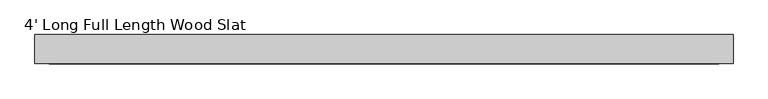
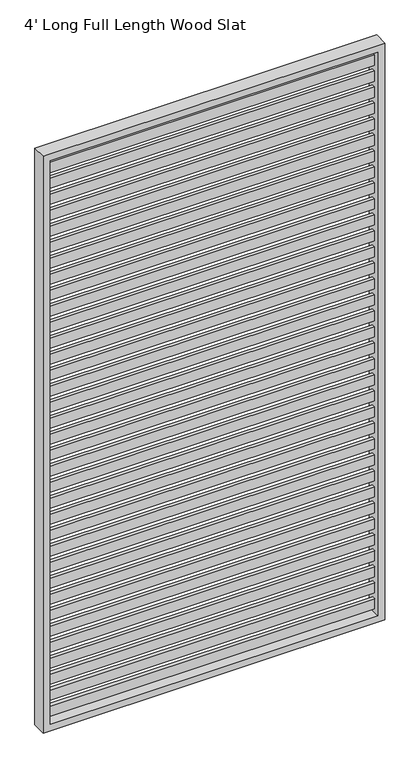
"""IFC4 building model written with IfcOpenShell, lengths in millimetres: furniture geometry, 4' Long Full Length Wood Slat."""

from ifc_helpers import new_model, si_unit, frame, origin, place, context, project, spatial, polyline, outline, extrude, source, transform, mapped, element, save


def furniture_4_long_full_length_wood_slat_e28b0322(model_context):
    return source(origin(), model_context, "Body", "SweptSolid", [
        extrude(outline(polyline([(1193.8, -6.35), (25.4, -6.35), (25.4, 6.35), (1193.8, 6.35), (1193.8, -6.35)])), frame((0.0, 0.0, 2030.4880644), z_axis=(0.0, 0.0, 1.0), x_axis=(1.0, 0.0, 0.0)), (0.0, 0.0, 1.0), 38.0999955),
        extrude(outline(polyline([(1193.8, -6.35), (25.4, -6.35), (25.4, 6.35), (1193.8, 6.35), (1193.8, -6.35)])), frame((0.0, 0.0, 1970.1654869), z_axis=(0.0, 0.0, 1.0), x_axis=(1.0, 0.0, 0.0)), (0.0, 0.0, 1.0), 38.0999955),
        extrude(outline(polyline([(1193.8, -6.35), (25.4, -6.35), (25.4, 6.35), (1193.8, 6.35), (1193.8, -6.35)])), frame((0.0, 0.0, 1909.8429094), z_axis=(0.0, 0.0, 1.0), x_axis=(1.0, 0.0, 0.0)), (0.0, 0.0, 1.0), 38.0999955),
        extrude(outline(polyline([(1193.8, -6.35), (25.4, -6.35), (25.4, 6.35), (1193.8, 6.35), (1193.8, -6.35)])), frame((0.0, 0.0, 1849.520332), z_axis=(0.0, 0.0, 1.0), x_axis=(1.0, 0.0, 0.0)), (0.0, 0.0, 1.0), 38.0999955),
        extrude(outline(polyline([(1193.8, -6.35), (25.4, -6.35), (25.4, 6.35), (1193.8, 6.35), (1193.8, -6.35)])), frame((0.0, 0.0, 1789.1977545), z_axis=(0.0, 0.0, 1.0), x_axis=(1.0, 0.0, 0.0)), (0.0, 0.0, 1.0), 38.0999955),
        extrude(outline(polyline([(1193.8, -6.35), (25.4, -6.35), (25.4, 6.35), (1193.8, 6.35), (1193.8, -6.35)])), frame((0.0, 0.0, 1728.875177), z_axis=(0.0, 0.0, 1.0), x_axis=(1.0, 0.0, 0.0)), (0.0, 0.0, 1.0), 38.0999955),
        extrude(outline(polyline([(1193.8, -6.35), (25.4, -6.35), (25.4, 6.35), (1193.8, 6.35), (1193.8, -6.35)])), frame((0.0, 0.0, 1668.5525996), z_axis=(0.0, 0.0, 1.0), x_axis=(1.0, 0.0, 0.0)), (0.0, 0.0, 1.0), 38.0999955),
        extrude(outline(polyline([(1193.8, -6.35), (25.4, -6.35), (25.4, 6.35), (1193.8, 6.35), (1193.8, -6.35)])), frame((0.0, 0.0, 1608.2300221), z_axis=(0.0, 0.0, 1.0), x_axis=(1.0, 0.0, 0.0)), (0.0, 0.0, 1.0), 38.0999955),
        extrude(outline(polyline([(1193.8, -6.35), (25.4, -6.35), (25.4, 6.35), (1193.8, 6.35), (1193.8, -6.35)])), frame((0.0, 0.0, 1547.9074446), z_axis=(0.0, 0.0, 1.0), x_axis=(1.0, 0.0, 0.0)), (0.0, 0.0, 1.0), 38.0999955),
        extrude(outline(polyline([(1193.8, -6.35), (25.4, -6.35), (25.4, 6.35), (1193.8, 6.35), (1193.8, -6.35)])), frame((0.0, 0.0, 1487.5848672), z_axis=(0.0, 0.0, 1.0), x_axis=(1.0, 0.0, 0.0)), (0.0, 0.0, 1.0), 38.0999955),
        extrude(outline(polyline([(1193.8, -6.35), (25.4, -6.35), (25.4, 6.35), (1193.8, 6.35), (1193.8, -6.35)])), frame((0.0, 0.0, 1427.2622897), z_axis=(0.0, 0.0, 1.0), x_axis=(1.0, 0.0, 0.0)), (0.0, 0.0, 1.0), 38.0999955),
        extrude(outline(polyline([(1193.8, -6.35), (25.4, -6.35), (25.4, 6.35), (1193.8, 6.35), (1193.8, -6.35)])), frame((0.0, 0.0, 1366.9397122), z_axis=(0.0, 0.0, 1.0), x_axis=(1.0, 0.0, 0.0)), (0.0, 0.0, 1.0), 38.0999955),
        extrude(outline(polyline([(1193.8, -6.35), (25.4, -6.35), (25.4, 6.35), (1193.8, 6.35), (1193.8, -6.35)])), frame((0.0, 0.0, 1306.6171348), z_axis=(0.0, 0.0, 1.0), x_axis=(1.0, 0.0, 0.0)), (0.0, 0.0, 1.0), 38.0999955),
        extrude(outline(polyline([(1193.8, -6.35), (25.4, -6.35), (25.4, 6.35), (1193.8, 6.35), (1193.8, -6.35)])), frame((0.0, 0.0, 1246.2945573), z_axis=(0.0, 0.0, 1.0), x_axis=(1.0, 0.0, 0.0)), (0.0, 0.0, 1.0), 38.0999955),
        extrude(outline(polyline([(1193.8, -6.35), (25.4, -6.35), (25.4, 6.35), (1193.8, 6.35), (1193.8, -6.35)])), frame((0.0, 0.0, 1185.9719798), z_axis=(0.0, 0.0, 1.0), x_axis=(1.0, 0.0, 0.0)), (0.0, 0.0, 1.0), 38.0999955),
        extrude(outline(polyline([(1193.8, -6.35), (25.4, -6.35), (25.4, 6.35), (1193.8, 6.35), (1193.8, -6.35)])), frame((0.0, 0.0, 1125.6494024), z_axis=(0.0, 0.0, 1.0), x_axis=(1.0, 0.0, 0.0)), (0.0, 0.0, 1.0), 38.0999955),
        extrude(outline(polyline([(1193.8, -6.35), (25.4, -6.35), (25.4, 6.35), (1193.8, 6.35), (1193.8, -6.35)])), frame((0.0, 0.0, 1065.3268249), z_axis=(0.0, 0.0, 1.0), x_axis=(1.0, 0.0, 0.0)), (0.0, 0.0, 1.0), 38.0999955),
        extrude(outline(polyline([(1193.8, -6.35), (25.4, -6.35), (25.4, 6.35), (1193.8, 6.35), (1193.8, -6.35)])), frame((0.0, 0.0, 1005.0042474), z_axis=(0.0, 0.0, 1.0), x_axis=(1.0, 0.0, 0.0)), (0.0, 0.0, 1.0), 38.0999955),
        extrude(outline(polyline([(1193.8, -6.35), (25.4, -6.35), (25.4, 6.35), (1193.8, 6.35), (1193.8, -6.35)])), frame((0.0, 0.0, 944.68167), z_axis=(0.0, 0.0, 1.0), x_axis=(1.0, 0.0, 0.0)), (0.0, 0.0, 1.0), 38.0999955),
        extrude(outline(polyline([(1193.8, -6.35), (25.4, -6.35), (25.4, 6.35), (1193.8, 6.35), (1193.8, -6.35)])), frame((0.0, 0.0, 884.3590925), z_axis=(0.0, 0.0, 1.0), x_axis=(1.0, 0.0, 0.0)), (0.0, 0.0, 1.0), 38.0999955),
        extrude(outline(polyline([(1193.8, -6.35), (25.4, -6.35), (25.4, 6.35), (1193.8, 6.35), (1193.8, -6.35)])), frame((0.0, 0.0, 824.036515), z_axis=(0.0, 0.0, 1.0), x_axis=(1.0, 0.0, 0.0)), (0.0, 0.0, 1.0), 38.0999955),
        extrude(outline(polyline([(1193.8, -6.35), (25.4, -6.35), (25.4, 6.35), (1193.8, 6.35), (1193.8, -6.35)])), frame((0.0, 0.0, 763.7139376), z_axis=(0.0, 0.0, 1.0), x_axis=(1.0, 0.0, 0.0)), (0.0, 0.0, 1.0), 38.0999955),
        extrude(outline(polyline([(1193.8, -6.35), (25.4, -6.35), (25.4, 6.35), (1193.8, 6.35), (1193.8, -6.35)])), frame((0.0, 0.0, 703.3913601), z_axis=(0.0, 0.0, 1.0), x_axis=(1.0, 0.0, 0.0)), (0.0, 0.0, 1.0), 38.0999955),
        extrude(outline(polyline([(1193.8, -6.35), (25.4, -6.35), (25.4, 6.35), (1193.8, 6.35), (1193.8, -6.35)])), frame((0.0, 0.0, 643.0687826), z_axis=(0.0, 0.0, 1.0), x_axis=(1.0, 0.0, 0.0)), (0.0, 0.0, 1.0), 38.0999955),
        extrude(outline(polyline([(1193.8, -6.35), (25.4, -6.35), (25.4, 6.35), (1193.8, 6.35), (1193.8, -6.35)])), frame((0.0, 0.0, 582.7462052), z_axis=(0.0, 0.0, 1.0), x_axis=(1.0, 0.0, 0.0)), (0.0, 0.0, 1.0), 38.0999955),
        extrude(outline(polyline([(1193.8, -6.35), (25.4, -6.35), (25.4, 6.35), (1193.8, 6.35), (1193.8, -6.35)])), frame((0.0, 0.0, 522.4236277), z_axis=(0.0, 0.0, 1.0), x_axis=(1.0, 0.0, 0.0)), (0.0, 0.0, 1.0), 38.0999955),
        extrude(outline(polyline([(1193.8, -6.35), (25.4, -6.35), (25.4, 6.35), (1193.8, 6.35), (1193.8, -6.35)])), frame((0.0, 0.0, 462.1010502), z_axis=(0.0, 0.0, 1.0), x_axis=(1.0, 0.0, 0.0)), (0.0, 0.0, 1.0), 38.0999955),
        extrude(outline(polyline([(1193.8, -6.35), (25.4, -6.35), (25.4, 6.35), (1193.8, 6.35), (1193.8, -6.35)])), frame((0.0, 0.0, 401.7784728), z_axis=(0.0, 0.0, 1.0), x_axis=(1.0, 0.0, 0.0)), (0.0, 0.0, 1.0), 38.0999955),
        extrude(outline(polyline([(1193.8, -6.35), (25.4, -6.35), (25.4, 6.35), (1193.8, 6.35), (1193.8, -6.35)])), frame((0.0, 0.0, 341.4558953), z_axis=(0.0, 0.0, 1.0), x_axis=(1.0, 0.0, 0.0)), (0.0, 0.0, 1.0), 38.0999955),
        extrude(outline(polyline([(1193.8, -6.35), (25.4, -6.35), (25.4, 6.35), (1193.8, 6.35), (1193.8, -6.35)])), frame((0.0, 0.0, 281.1333178), z_axis=(0.0, 0.0, 1.0), x_axis=(1.0, 0.0, 0.0)), (0.0, 0.0, 1.0), 38.0999955),
        extrude(outline(polyline([(1193.8, -6.35), (25.4, -6.35), (25.4, 6.35), (1193.8, 6.35), (1193.8, -6.35)])), frame((0.0, 0.0, 220.8107404), z_axis=(0.0, 0.0, 1.0), x_axis=(1.0, 0.0, 0.0)), (0.0, 0.0, 1.0), 38.0999955),
        extrude(outline(polyline([(1193.8, -6.35), (25.4, -6.35), (25.4, 6.35), (1193.8, 6.35), (1193.8, -6.35)])), frame((0.0, 0.0, 160.4881629), z_axis=(0.0, 0.0, 1.0), x_axis=(1.0, 0.0, 0.0)), (0.0, 0.0, 1.0), 38.0999955),
        extrude(outline(polyline([(1193.8, -6.35), (25.4, -6.35), (25.4, 6.35), (1193.8, 6.35), (1193.8, -6.35)])), frame((0.0, 0.0, 100.1655854), z_axis=(0.0, 0.0, 1.0), x_axis=(1.0, 0.0, 0.0)), (0.0, 0.0, 1.0), 38.0999955),
        extrude(outline(polyline([(1193.8, -6.35), (25.4, -6.35), (25.4, 6.35), (1193.8, 6.35), (1193.8, -6.35)])), frame((0.0, 0.0, 2090.8106418), z_axis=(0.0, 0.0, 1.0), x_axis=(1.0, 0.0, 0.0)), (0.0, 0.0, 1.0), 38.0999955),
        extrude(outline(polyline([(1193.8, -6.35), (25.4, -6.35), (25.4, 6.35), (1193.8, 6.35), (1193.8, -6.35)])), frame((0.0, 0.0, 39.843008), z_axis=(0.0, 0.0, 1.0), x_axis=(1.0, 0.0, 0.0)), (0.0, 0.0, 1.0), 38.0999955),
        extrude(outline(polyline([(0.0, 0.0), (0.0, 1219.2), (2176.526, 1219.2), (2176.526, 0.0), (0.0, 0.0)]), holes=[polyline([(2151.126, 1193.8), (25.4, 1193.8), (25.4, 25.4), (2151.126, 25.4), (2151.126, 1193.8)])]), frame((0.0, -25.4, 0.0), z_axis=(0.0, 1.0, 0.0), x_axis=(0.0, 0.0, 1.0)), (0.0, 0.0, 1.0), 50.8),
    ])


if __name__ == "__main__":
    model = new_model("IFC4")
    model_context = context("Model", 3, world=origin())
    ifc_project = project(units=[si_unit("LENGTHUNIT", "METRE", prefix="MILLI")], contexts=[model_context])
    site = spatial("IfcSite", under=ifc_project)
    building = spatial("IfcBuilding", under=site)
    placement = place(None, origin())
    furniture_4_long_full_length_wood_slat_shape = furniture_4_long_full_length_wood_slat_e28b0322(model_context)
    element("IfcFurniture", 1, ObjectType="4' Long Full Length Wood Slat", at=placement, inside=building, context=model_context, shape_type="MappedRepresentation", body=[
        mapped(furniture_4_long_full_length_wood_slat_shape, transform((0.0, 0.0, 0.0), x_axis=(1.0, 0.0, 0.0), y_axis=(0.0, 1.0, 0.0), z_axis=(0.0, 0.0, 1.0))),
    ])
    save(model, "model.ifc")
